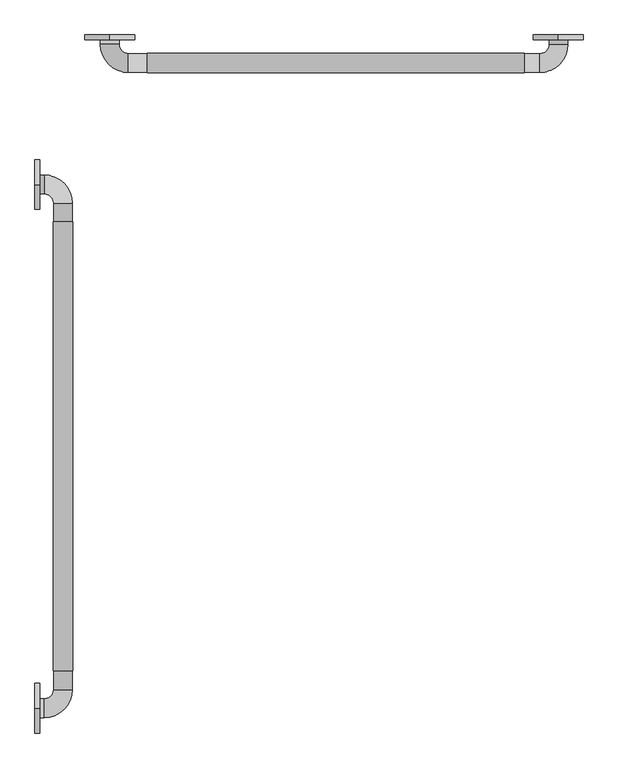
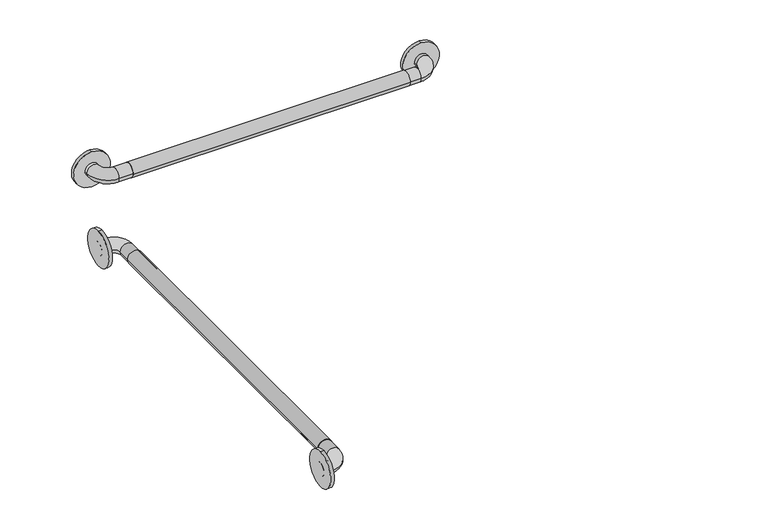
"""IFC4 building model written with IfcOpenShell, lengths in millimetres: proxy geometry."""

from ifc_helpers import new_model, si_unit, point, frame, frame_2d, origin, place, context, project, spatial, circle_curve, ellipse_curve, trimmed, segment, composite_curve, outline, extrude, source, transform, mapped, element, save
from ifc_brep_helpers import plane_surface, cylinder_surface, revolved_surface, advanced_brep


def generic_models_af87aca3(model_context):
    return source(origin(), model_context, "Body", "SolidModel", [
        extrude(outline(composite_curve([segment(trimmed(circle_curve(frame_2d((889.0, 57.15)), 19.84375), [point((889.0, 76.99375))], [point((889.0, 37.30625))], False, "CARTESIAN"), True, "CONTINUOUS"), segment(trimmed(circle_curve(frame_2d((889.0, 57.15)), 19.84375), [point((889.0, 37.30625))], [point((889.0, 76.99375))], False, "CARTESIAN"), True, "CONTINUOUS")], self_intersect=False)), frame((0.0, -1371.6, 0.0), z_axis=(0.0, 1.0, 0.0), x_axis=(0.0, 0.0, 1.0)), (0.0, 0.0, 1.0), 914.4),
        extrude(outline(composite_curve([segment(trimmed(circle_curve(frame_2d((-132.994073, 889.0)), 19.84375), [point((-113.150323, 889.0))], [point((-152.837823, 889.0))], False, "CARTESIAN"), True, "CONTINUOUS"), segment(trimmed(circle_curve(frame_2d((-132.994073, 889.0)), 19.84375), [point((-152.837823, 889.0))], [point((-113.150323, 889.0))], False, "CARTESIAN"), True, "CONTINUOUS")], self_intersect=False)), frame((228.6, 0.0, 0.0), z_axis=(1.0, 0.0, 0.0), x_axis=(0.0, 1.0, 0.0)), (0.0, 0.0, 1.0), 768.35),
        extrude(outline(composite_curve([segment(trimmed(circle_curve(frame_2d((889.0, 1065.9492842)), 50.8), [point((838.2, 1065.9492842))], [point((939.8, 1065.9492842))], False, "CARTESIAN"), True, "CONTINUOUS"), segment(trimmed(circle_curve(frame_2d((889.0, 1065.9492842)), 50.8), [point((939.8, 1065.9492842))], [point((838.2, 1065.9492842))], False, "CARTESIAN"), True, "CONTINUOUS")], self_intersect=False)), frame((0.0, -85.725, 0.0), z_axis=(0.0, 1.0, 0.0), x_axis=(0.0, 0.0, 1.0)), (0.0, 0.0, 1.0), 9.525),
        extrude(outline(composite_curve([segment(trimmed(circle_curve(frame_2d((889.0, 152.4)), 50.8), [point((838.2, 152.4))], [point((939.8, 152.4))], False, "CARTESIAN"), True, "CONTINUOUS"), segment(trimmed(circle_curve(frame_2d((889.0, 152.4)), 50.8), [point((939.8, 152.4))], [point((838.2, 152.4))], False, "CARTESIAN"), True, "CONTINUOUS")], self_intersect=False)), frame((0.0, -85.725, 0.0), z_axis=(0.0, 1.0, 0.0), x_axis=(0.0, 0.0, 1.0)), (0.0, 0.0, 1.0), 9.525),
        extrude(outline(composite_curve([segment(trimmed(circle_curve(frame_2d((-381.0, 889.0)), 50.8), [point((-381.0, 838.2))], [point((-381.0, 939.8))], False, "CARTESIAN"), True, "CONTINUOUS"), segment(trimmed(circle_curve(frame_2d((-381.0, 889.0)), 50.8), [point((-381.0, 939.8))], [point((-381.0, 838.2))], False, "CARTESIAN"), True, "CONTINUOUS")], self_intersect=False)), frame((0.0, 0.0, 0.0), z_axis=(1.0, 0.0, 0.0), x_axis=(0.0, 1.0, 0.0)), (0.0, 0.0, 1.0), 9.525),
        extrude(outline(composite_curve([segment(trimmed(circle_curve(frame_2d((-1447.8, 889.0)), 50.8), [point((-1447.8, 838.2))], [point((-1447.8, 939.8))], False, "CARTESIAN"), True, "CONTINUOUS"), segment(trimmed(circle_curve(frame_2d((-1447.8, 889.0)), 50.8), [point((-1447.8, 939.8))], [point((-1447.8, 838.2))], False, "CARTESIAN"), True, "CONTINUOUS")], self_intersect=False)), frame((0.0, 0.0, 0.0), z_axis=(1.0, 0.0, 0.0), x_axis=(0.0, 1.0, 0.0)), (0.0, 0.0, 1.0), 9.525),
        advanced_brep(
        [(1085.85, -76.2, 889.0), (1047.75, -76.2, 889.0), (1047.75, -95.25, 889.0), (1085.85, -95.25, 889.0), (1028.7, -114.3, 889.0), (1028.7, -152.4, 889.0), (190.5, -114.3, 889.0), (190.5, -152.4, 889.0), (171.45, -95.25, 889.0), (133.35, -95.25, 889.0), (133.35, -76.2, 889.0), (171.45, -76.2, 889.0)],
        [
            (0, 1, circle_curve(frame((1066.8, -76.2, 889.0), z_axis=(0.0, 1.0, 0.0), x_axis=(-1.0, 0.0, 0.0)), 19.05)),
            (1, 0, circle_curve(frame((1066.8, -76.2, 889.0), z_axis=(0.0, 1.0, 0.0), x_axis=(-1.0, 0.0, 0.0)), 19.05)),
            (1, 2),
            (2, 3, circle_curve(frame((1066.8, -95.25, 889.0), z_axis=(0.0, 1.0, 0.0), x_axis=(-1.0, 0.0, 0.0)), 19.05)),
            (3, 0),
            (3, 2, circle_curve(frame((1066.8, -95.25, 889.0), z_axis=(0.0, 1.0, 0.0), x_axis=(-1.0, 0.0, 0.0)), 19.05)),
            (4, 5, circle_curve(frame((1028.7, -133.35, 889.0), z_axis=(1.0, 0.0, 0.0), x_axis=(0.0, 1.0, 0.0)), 19.05)),
            (5, 3, circle_curve(frame((1028.7, -95.25, 889.0), z_axis=(0.0, 0.0, 1.0), x_axis=(1.0, 0.0, 0.0)), 57.15)),
            (2, 4, circle_curve(frame((1028.7, -95.25, 889.0), z_axis=(0.0, 0.0, -1.0), x_axis=(1.0, 0.0, 0.0)), 19.05)),
            (5, 4, circle_curve(frame((1028.7, -133.35, 889.0), z_axis=(1.0, 0.0, 0.0), x_axis=(0.0, 1.0, 0.0)), 19.05)),
            (4, 6),
            (6, 7, circle_curve(frame((190.5, -133.35, 889.0), z_axis=(1.0, 0.0, 0.0), x_axis=(0.0, 1.0, 0.0)), 19.05)),
            (7, 5),
            (7, 6, circle_curve(frame((190.5, -133.35, 889.0), z_axis=(1.0, 0.0, 0.0), x_axis=(0.0, 1.0, 0.0)), 19.05)),
            (8, 9, circle_curve(frame((152.4, -95.25, 889.0), z_axis=(0.0, -1.0, 0.0), x_axis=(1.0, 0.0, 0.0)), 19.05)),
            (9, 7, circle_curve(frame((190.5, -95.25, 889.0), z_axis=(0.0, 0.0, 1.0), x_axis=(0.0, -1.0, 0.0)), 57.15)),
            (6, 8, circle_curve(frame((190.5, -95.25, 889.0), z_axis=(0.0, 0.0, -1.0), x_axis=(0.0, -1.0, 0.0)), 19.05)),
            (9, 8, circle_curve(frame((152.4, -95.25, 889.0), z_axis=(0.0, -1.0, 0.0), x_axis=(1.0, 0.0, 0.0)), 19.05)),
            (10, 11, circle_curve(frame((152.4, -76.2, 889.0), z_axis=(0.0, 1.0, 0.0), x_axis=(1.0, 0.0, 0.0)), 19.05)),
            (11, 10, circle_curve(frame((152.4, -76.2, 889.0), z_axis=(0.0, 1.0, 0.0), x_axis=(1.0, 0.0, 0.0)), 19.05)),
            (8, 11),
            (10, 9),
        ],
        [
            plane_surface(frame((1066.8, -76.2, 889.0), z_axis=(0.0, 1.0, 0.0), x_axis=(0.0, 0.0, 1.0))),
            cylinder_surface(frame((1066.8, -76.2, 889.0), z_axis=(0.0, 1.0, 0.0), x_axis=(-1.0, 0.0, 0.0)), 19.05),
            revolved_surface(trimmed(ellipse_curve(frame((1066.8, -95.25, 889.0), z_axis=(0.0, -1.0, 0.0), x_axis=(-1.0, 0.0, 0.0)), 19.05, 19.05), [point((1085.85, -95.25, 889.0))], [point((1047.75, -95.25, 889.0))], True, "CARTESIAN"), (1028.7, -95.25, 889.0), (0.0, 0.0, 1.0)),
            revolved_surface(trimmed(ellipse_curve(frame((1066.8, -95.25, 889.0), z_axis=(0.0, -1.0, 0.0), x_axis=(-1.0, 0.0, 0.0)), 19.05, 19.05), [point((1047.75, -95.25, 889.0))], [point((1085.85, -95.25, 889.0))], True, "CARTESIAN"), (1028.7, -95.25, 889.0), (0.0, 0.0, 1.0)),
            cylinder_surface(frame((1028.7, -133.35, 889.0), z_axis=(1.0, 0.0, 0.0), x_axis=(0.0, 1.0, 0.0)), 19.05),
            revolved_surface(trimmed(ellipse_curve(frame((190.5, -133.35, 889.0), z_axis=(-1.0, 0.0, 0.0), x_axis=(0.0, 1.0, 0.0)), 19.05, 19.05), [point((190.5, -152.4, 889.0))], [point((190.5, -114.3, 889.0))], True, "CARTESIAN"), (190.5, -95.25, 889.0), (0.0, 0.0, 1.0)),
            revolved_surface(trimmed(ellipse_curve(frame((190.5, -133.35, 889.0), z_axis=(-1.0, 0.0, 0.0), x_axis=(0.0, 1.0, 0.0)), 19.05, 19.05), [point((190.5, -114.3, 889.0))], [point((190.5, -152.4, 889.0))], True, "CARTESIAN"), (190.5, -95.25, 889.0), (0.0, 0.0, 1.0)),
            plane_surface(frame((152.4, -76.2, 889.0), z_axis=(0.0, 1.0, 0.0), x_axis=(0.0, 0.0, 1.0))),
            cylinder_surface(frame((152.4, -95.25, 889.0), z_axis=(0.0, -1.0, 0.0), x_axis=(1.0, 0.0, 0.0)), 19.05),
        ],
        [
            (0, [[1, 2]]),
            (1, [[3, 4, 5, -2]]),
            (1, [[-5, 6, -3, -1]]),
            (2, [[7, 8, -4, 9]]),
            (3, [[10, -9, -6, -8]]),
            (4, [[11, 12, 13, -7]]),
            (4, [[-13, 14, -11, -10]]),
            (5, [[15, 16, -12, 17]]),
            (6, [[18, -17, -14, -16]]),
            (7, [[19, 20]]),
            (8, [[21, -19, 22, -15]]),
            (8, [[-22, -20, -21, -18]]),
        ],
    ),
        advanced_brep(
        [(0.0, -361.95, 889.0), (0.0, -400.05, 889.0), (19.05, -400.05, 889.0), (19.05, -361.95, 889.0), (38.1, -419.1, 889.0), (76.2, -419.1, 889.0), (38.1, -1409.7, 889.0), (76.2, -1409.7, 889.0), (19.05, -1428.75, 889.0), (19.05, -1466.85, 889.0), (0.0, -1466.85, 889.0), (0.0, -1428.75, 889.0)],
        [
            (0, 1, circle_curve(frame((0.0, -381.0, 889.0), z_axis=(-1.0, 0.0, 0.0), x_axis=(0.0, -1.0, 0.0)), 19.05)),
            (1, 0, circle_curve(frame((0.0, -381.0, 889.0), z_axis=(-1.0, 0.0, 0.0), x_axis=(0.0, -1.0, 0.0)), 19.05)),
            (1, 2),
            (2, 3, circle_curve(frame((19.05, -381.0, 889.0), z_axis=(-1.0, 0.0, 0.0), x_axis=(0.0, -1.0, 0.0)), 19.05)),
            (3, 0),
            (3, 2, circle_curve(frame((19.05, -381.0, 889.0), z_axis=(-1.0, 0.0, 0.0), x_axis=(0.0, -1.0, 0.0)), 19.05)),
            (4, 5, circle_curve(frame((57.15, -419.1, 889.0), z_axis=(0.0, 1.0, 0.0), x_axis=(-1.0, 0.0, 0.0)), 19.05)),
            (5, 3, circle_curve(frame((19.05, -419.1, 889.0), z_axis=(0.0, 0.0, 1.0), x_axis=(0.0, 1.0, 0.0)), 57.15)),
            (2, 4, circle_curve(frame((19.05, -419.1, 889.0), z_axis=(0.0, 0.0, -1.0), x_axis=(0.0, 1.0, 0.0)), 19.05)),
            (5, 4, circle_curve(frame((57.15, -419.1, 889.0), z_axis=(0.0, 1.0, 0.0), x_axis=(-1.0, 0.0, 0.0)), 19.05)),
            (4, 6),
            (6, 7, circle_curve(frame((57.15, -1409.7, 889.0), z_axis=(0.0, 1.0, 0.0), x_axis=(-1.0, 0.0, 0.0)), 19.05)),
            (7, 5),
            (7, 6, circle_curve(frame((57.15, -1409.7, 889.0), z_axis=(0.0, 1.0, 0.0), x_axis=(-1.0, 0.0, 0.0)), 19.05)),
            (8, 9, circle_curve(frame((19.05, -1447.8, 889.0), z_axis=(1.0, 0.0, 0.0), x_axis=(0.0, 1.0, 0.0)), 19.05)),
            (9, 7, circle_curve(frame((19.05, -1409.7, 889.0), z_axis=(0.0, 0.0, 1.0), x_axis=(1.0, 0.0, 0.0)), 57.15)),
            (6, 8, circle_curve(frame((19.05, -1409.7, 889.0), z_axis=(0.0, 0.0, -1.0), x_axis=(1.0, 0.0, 0.0)), 19.05)),
            (9, 8, circle_curve(frame((19.05, -1447.8, 889.0), z_axis=(1.0, 0.0, 0.0), x_axis=(0.0, 1.0, 0.0)), 19.05)),
            (10, 11, circle_curve(frame((0.0, -1447.8, 889.0), z_axis=(-1.0, 0.0, 0.0), x_axis=(0.0, 1.0, 0.0)), 19.05)),
            (11, 10, circle_curve(frame((0.0, -1447.8, 889.0), z_axis=(-1.0, 0.0, 0.0), x_axis=(0.0, 1.0, 0.0)), 19.05)),
            (8, 11),
            (10, 9),
        ],
        [
            plane_surface(frame((0.0, -381.0, 889.0), z_axis=(-1.0, 0.0, 0.0), x_axis=(0.0, 0.0, 1.0))),
            cylinder_surface(frame((0.0, -381.0, 889.0), z_axis=(-1.0, 0.0, 0.0), x_axis=(0.0, -1.0, 0.0)), 19.05),
            revolved_surface(trimmed(ellipse_curve(frame((19.05, -381.0, 889.0), z_axis=(1.0, 0.0, 0.0), x_axis=(0.0, -1.0, 0.0)), 19.05, 19.05), [point((19.05, -361.95, 889.0))], [point((19.05, -400.05, 889.0))], True, "CARTESIAN"), (19.05, -419.1, 889.0), (0.0, 0.0, 1.0)),
            revolved_surface(trimmed(ellipse_curve(frame((19.05, -381.0, 889.0), z_axis=(1.0, 0.0, 0.0), x_axis=(0.0, -1.0, 0.0)), 19.05, 19.05), [point((19.05, -400.05, 889.0))], [point((19.05, -361.95, 889.0))], True, "CARTESIAN"), (19.05, -419.1, 889.0), (0.0, 0.0, 1.0)),
            cylinder_surface(frame((57.15, -419.1, 889.0), z_axis=(0.0, 1.0, 0.0), x_axis=(-1.0, 0.0, 0.0)), 19.05),
            revolved_surface(trimmed(ellipse_curve(frame((57.15, -1409.7, 889.0), z_axis=(0.0, -1.0, 0.0), x_axis=(-1.0, 0.0, 0.0)), 19.05, 19.05), [point((76.2, -1409.7, 889.0))], [point((38.1, -1409.7, 889.0))], True, "CARTESIAN"), (19.05, -1409.7, 889.0), (0.0, 0.0, 1.0)),
            revolved_surface(trimmed(ellipse_curve(frame((57.15, -1409.7, 889.0), z_axis=(0.0, -1.0, 0.0), x_axis=(-1.0, 0.0, 0.0)), 19.05, 19.05), [point((38.1, -1409.7, 889.0))], [point((76.2, -1409.7, 889.0))], True, "CARTESIAN"), (19.05, -1409.7, 889.0), (0.0, 0.0, 1.0)),
            plane_surface(frame((0.0, -1447.8, 889.0), z_axis=(-1.0, 0.0, 0.0), x_axis=(0.0, 0.0, 1.0))),
            cylinder_surface(frame((19.05, -1447.8, 889.0), z_axis=(1.0, 0.0, 0.0), x_axis=(0.0, 1.0, 0.0)), 19.05),
        ],
        [
            (0, [[1, 2]]),
            (1, [[3, 4, 5, -2]]),
            (1, [[-5, 6, -3, -1]]),
            (2, [[7, 8, -4, 9]]),
            (3, [[10, -9, -6, -8]]),
            (4, [[11, 12, 13, -7]]),
            (4, [[-13, 14, -11, -10]]),
            (5, [[15, 16, -12, 17]]),
            (6, [[18, -17, -14, -16]]),
            (7, [[19, 20]]),
            (8, [[21, -19, 22, -15]]),
            (8, [[-22, -20, -21, -18]]),
        ],
    ),
    ])


if __name__ == "__main__":
    model = new_model("IFC4")
    model_context = context("Model", 3, world=origin())
    ifc_project = project(units=[si_unit("LENGTHUNIT", "METRE", prefix="MILLI")], contexts=[model_context])
    site = spatial("IfcSite", under=ifc_project)
    building = spatial("IfcBuilding", under=site)
    placement = place(None, origin())
    generic_models_shape = generic_models_af87aca3(model_context)
    element("IfcBuildingElementProxy", 1, Name="Generic Models", at=placement, inside=building, context=model_context, shape_type="MappedRepresentation", body=[
        mapped(generic_models_shape, transform((0.0, 0.0, 0.0), x_axis=(1.0, 0.0, 0.0), y_axis=(0.0, 1.0, 0.0), z_axis=(0.0, 0.0, 1.0))),
    ])
    save(model, "model.ifc")
